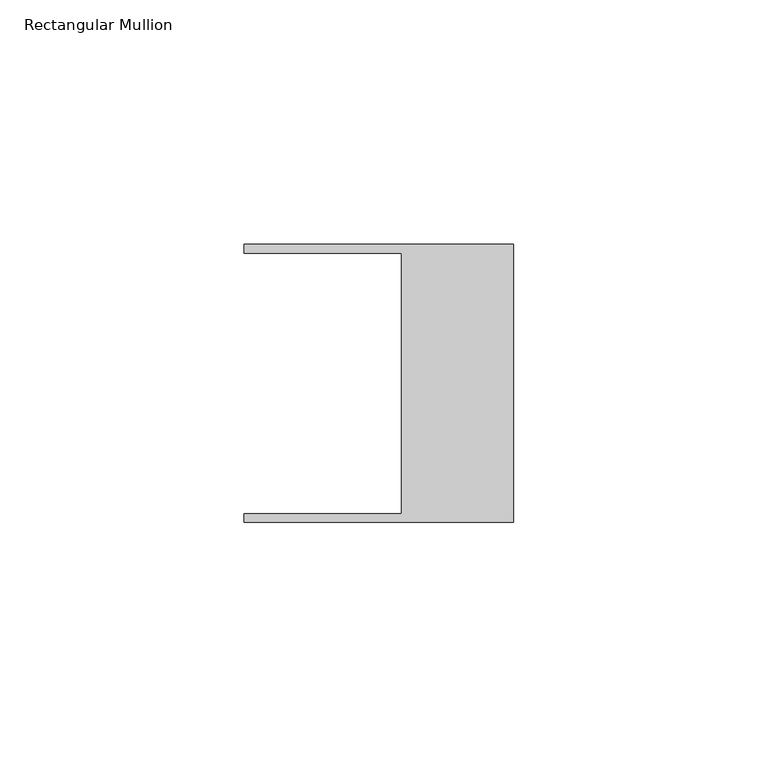
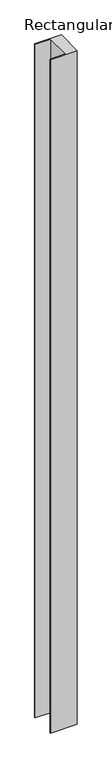
"""IFC4 building model written with IfcOpenShell, lengths in millimetres: member geometry, Rectangular Mullion."""

from ifc_helpers import new_model, si_unit, frame, origin, place, context, project, spatial, polyline, outline, extrude, source, transform, mapped, element, save


def rectangular_mullion_c6a22851(model_context):
    return source(origin(), model_context, "Body", "SweptSolid", [
        extrude(outline(polyline([(-55.118, 26.67), (-55.118, 28.448), (0.0, 28.448), (0.0, -28.448), (-55.118, -28.448), (-55.118, -26.67), (-22.86, -26.67), (-22.86, 26.67), (-55.118, 26.67)])), frame((0.0, 0.0, -1473.2), z_axis=(0.0, 0.0, 1.0), x_axis=(1.0, 0.0, 0.0)), (0.0, 0.0, 1.0), 1473.2),
    ])


if __name__ == "__main__":
    model = new_model("IFC4")
    model_context = context("Model", 3, world=origin())
    ifc_project = project(units=[si_unit("LENGTHUNIT", "METRE", prefix="MILLI")], contexts=[model_context])
    site = spatial("IfcSite", under=ifc_project)
    building = spatial("IfcBuilding", under=site)
    placement = place(None, origin())
    rectangular_mullion_shape = rectangular_mullion_c6a22851(model_context)
    element("IfcMember", 1, ObjectType="Rectangular Mullion", at=placement, inside=building, context=model_context, shape_type="MappedRepresentation", body=[
        mapped(rectangular_mullion_shape, transform((0.0, 0.0, 0.0), x_axis=(1.0, 0.0, 0.0), y_axis=(0.0, 1.0, 0.0), z_axis=(0.0, 0.0, 1.0))),
    ])
    save(model, "model.ifc")
